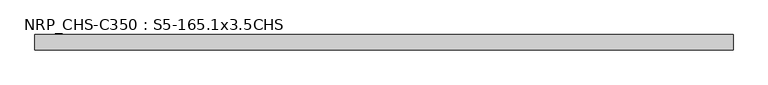
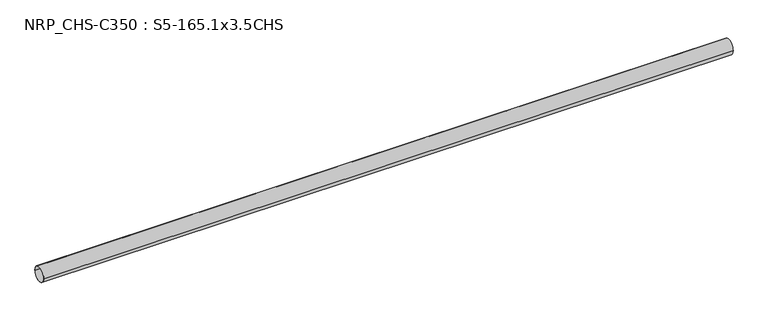
"""IFC4 building model written with IfcOpenShell, lengths in millimetres: beam geometry, NRP_CHS-C350 : S5-165.1x3.5CHS."""

from ifc_helpers import new_model, si_unit, point, frame, origin, origin_2d, place, context, project, spatial, circle_curve, trimmed, segment, composite_curve, outline, extrude, source, transform, mapped, element, save


def nrp_chs_c350_s5_165_1x3_5chs_d76de5f4(model_context):
    return source(origin(), model_context, "Body", "SweptSolid", [
        extrude(outline(composite_curve([segment(trimmed(circle_curve(origin_2d(), 82.55), [point((-82.55, 0.0))], [point((82.55, 0.0))], False, "CARTESIAN"), True, "CONTINUOUS"), segment(trimmed(circle_curve(origin_2d(), 82.55), [point((82.55, 0.0))], [point((-82.55, 0.0))], False, "CARTESIAN"), True, "CONTINUOUS")], self_intersect=False), holes=[composite_curve([segment(trimmed(circle_curve(origin_2d(), 79.05), [point((79.05, 0.0))], [point((-79.05, 0.0))], True, "CARTESIAN"), True, "CONTINUOUS"), segment(trimmed(circle_curve(origin_2d(), 79.05), [point((-79.05, 0.0))], [point((79.05, 0.0))], True, "CARTESIAN"), True, "CONTINUOUS")], self_intersect=False)]), frame((-3690.95, 0.0, 0.0), z_axis=(1.0, 0.0, 0.0), x_axis=(0.0, 1.0, 0.0)), (0.0, 0.0, 1.0), 7502.3),
    ])


if __name__ == "__main__":
    model = new_model("IFC4")
    model_context = context("Model", 3, world=origin())
    ifc_project = project(units=[si_unit("LENGTHUNIT", "METRE", prefix="MILLI")], contexts=[model_context])
    site = spatial("IfcSite", under=ifc_project)
    building = spatial("IfcBuilding", under=site)
    placement = place(None, origin())
    nrp_chs_c350_s5_165_1x3_5chs_shape = nrp_chs_c350_s5_165_1x3_5chs_d76de5f4(model_context)
    element("IfcBeam", 1, ObjectType="NRP_CHS-C350 : S5-165.1x3.5CHS", at=placement, inside=building, context=model_context, shape_type="MappedRepresentation", body=[
        mapped(nrp_chs_c350_s5_165_1x3_5chs_shape, transform((0.0, 0.0, 0.0), x_axis=(1.0, 0.0, 0.0), y_axis=(0.0, 1.0, 0.0), z_axis=(0.0, 0.0, 1.0))),
    ])
    save(model, "model.ifc")
